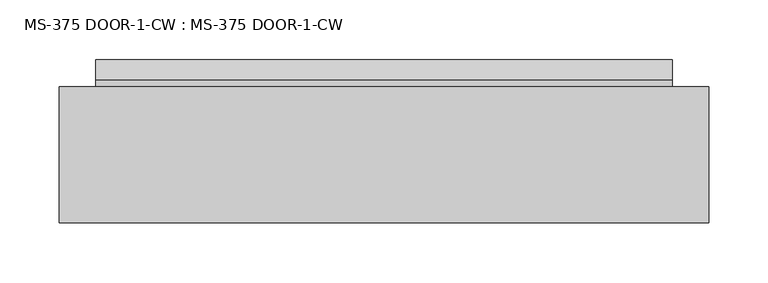
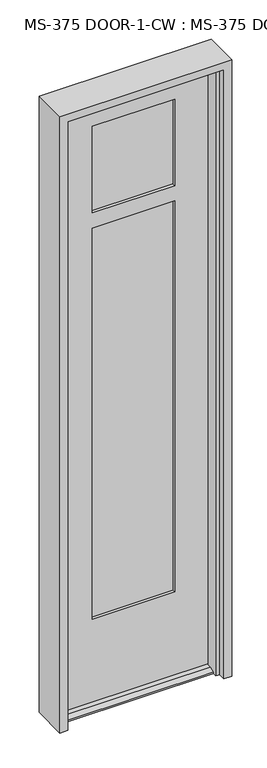
"""IFC4 building model written with IfcOpenShell, lengths in millimetres: plate geometry, MS-375 DOOR-1-CW : MS-375 DOOR-1-CW."""

from ifc_helpers import new_model, si_unit, frame, origin, place, context, project, spatial, polyline, outline, extrude, faceted_brep, source, transform, mapped, element, save


def ms_375_door_1_cw_ms_375_door_1_cw_e6405739(model_context):
    return source(origin(), model_context, "Body", "SolidModel", [
        faceted_brep([(242.62183, -45.24375, 12.7), (242.62183, -61.8934954, 12.7), (242.62183, -78.5813408, 4.9183299), (242.62183, -78.5813408, 0.0003044), (242.62183, -45.24375, 0.0003044), (242.62183, 23.01875, 0.0003044), (242.62183, 23.01875, 4.9183299), (242.62183, 6.3309046, 12.7), (242.62183, -0.79375, 12.7), (242.62183, -0.79375, 0.0003044), (-242.37847, -0.79375, 12.7), (-242.37847, 6.3309046, 12.7), (-242.37847, 23.01875, 4.9183299), (-242.37847, 23.01875, 0.0003044), (-242.37847, -0.79375, 0.0003044), (-242.37847, -78.5813408, 0.0003044), (-242.37847, -78.5813408, 4.9183299), (-242.37847, -61.8934954, 12.7), (-242.37847, -45.24375, 12.7), (-242.37847, -45.24375, 0.0003044), (245.39043, -45.24375, 2041.525), (242.62183, -0.79375, 2041.525), (-245.14707, -0.79375, 2041.525), (-242.37847, -45.24375, 2041.525), (131.09043, -0.79375, 1945.48125), (131.09043, -10.31875, 1945.48125), (-130.84707, -10.31875, 1945.48125), (-130.84707, -0.79375, 1945.48125), (138.23418, -10.31875, 1952.625), (138.23418, -35.71875, 1952.625), (-137.99082, -35.71875, 1952.625), (-137.99082, -10.31875, 1952.625), (131.09043, -35.71875, 1945.48125), (131.09043, -45.24375, 1945.48125), (-130.84707, -45.24375, 1945.48125), (-130.84707, -35.71875, 1945.48125), (138.23418, -35.71875, 1611.3125), (-137.99082, -35.71875, 1611.3125), (-137.99082, -10.31875, 1611.3125), (138.23418, -10.31875, 1611.3125), (-130.84707, -0.79375, 1604.16875), (131.09043, -0.79375, 1604.16875), (131.09043, -10.31875, 1604.16875), (-130.84707, -10.31875, 1604.16875), (131.09043, -0.79375, 1654.96875), (-130.84707, -0.79375, 1654.96875), (-130.84707, -10.31875, 1654.96875), (131.09043, -10.31875, 1654.96875), (-137.99082, -35.71875, 1647.825), (138.23418, -35.71875, 1647.825), (138.23418, -10.31875, 1647.825), (-137.99082, -10.31875, 1647.825), (131.09043, -35.71875, 1654.96875), (-130.84707, -35.71875, 1654.96875), (-130.84707, -45.24375, 1654.96875), (131.09043, -45.24375, 1654.96875), (-130.84707, -35.71875, 1604.16875), (131.09043, -35.71875, 1604.16875), (131.09043, -45.24375, 1604.16875), (-130.84707, -45.24375, 1604.16875), (138.23418, -35.71875, 283.36875), (138.23418, -10.31875, 283.36875), (-137.99082, -10.31875, 283.36875), (-137.99082, -35.71875, 283.36875), (-130.84707, -35.71875, 290.5125), (131.09043, -35.71875, 290.5125), (131.09043, -45.24375, 290.5125), (-130.84707, -45.24375, 290.5125), (245.39043, -45.24375, 0.0), (-245.14707, -0.79375, 0.0003044), (-130.84707, -0.79375, 290.5125), (131.09043, -0.79375, 290.5125), (131.09043, -10.31875, 290.5125), (-130.84707, -10.31875, 290.5125)], [[[0, 1, 2, 3, 4]], [[5, 6, 7, 8, 9]], [[10, 11, 12, 13, 14]], [[15, 16, 17, 18, 19]], [[20, 21, 22, 23]], [[24, 25, 26, 27]], [[28, 29, 30, 31]], [[32, 33, 34, 35]], [[36, 37, 38, 39]], [[40, 41, 42, 43]], [[44, 45, 46, 47]], [[48, 49, 50, 51]], [[52, 53, 54, 55]], [[56, 57, 58, 59]], [[60, 61, 62, 63]], [[30, 29, 49, 48], [32, 35, 53, 52]], [[60, 63, 37, 36], [64, 65, 57, 56]], [[66, 65, 64, 67]], [[68, 20, 23, 18, 0, 4], [34, 33, 55, 54], [67, 59, 58, 66]], [[1, 0, 18, 17]], [[2, 1, 17, 16]], [[3, 2, 16, 15]], [[3, 15, 19, 69, 14, 13, 5, 9, 68, 4]], [[6, 5, 13, 12]], [[7, 6, 12, 11]], [[8, 7, 11, 10]], [[69, 22, 21, 8, 10, 14], [27, 45, 44, 24], [70, 71, 41, 40]], [[72, 71, 70, 73]], [[28, 31, 51, 50], [26, 25, 47, 46]], [[62, 61, 39, 38], [72, 73, 43, 42]], [[18, 23, 22, 69, 19]], [[35, 34, 54, 53]], [[67, 64, 56, 59]], [[37, 63, 62, 38]], [[51, 31, 30, 48]], [[27, 26, 46, 45]], [[73, 70, 40, 43]], [[25, 24, 44, 47]], [[71, 72, 42, 41]], [[49, 29, 28, 50]], [[39, 61, 60, 36]], [[33, 32, 52, 55]], [[65, 66, 58, 57]], [[8, 21, 20, 68, 9]]]),
        extrude(outline(polyline([(138.23418, -35.71875), (-137.99082, -35.71875), (-137.99082, -29.41955), (138.23418, -29.41955), (138.23418, -35.71875)])), frame((0.0, 0.0, 1647.825), z_axis=(0.0, 0.0, 1.0), x_axis=(1.0, 0.0, 0.0)), (0.0, 0.0, 1.0), 304.8),
        extrude(outline(polyline([(-137.99082, -10.31875), (138.23418, -10.31875), (138.23418, -16.61795), (-137.99082, -16.61795), (-137.99082, -10.31875)])), frame((0.0, 0.0, 1647.825), z_axis=(0.0, 0.0, 1.0), x_axis=(1.0, 0.0, 0.0)), (0.0, 0.0, 1.0), 304.8),
        extrude(outline(polyline([(-137.99082, -16.61795), (-137.99082, -10.31875), (138.23418, -10.31875), (138.23418, -16.61795), (-137.99082, -16.61795)])), frame((0.0, 0.0, 283.36875), z_axis=(0.0, 0.0, 1.0), x_axis=(1.0, 0.0, 0.0)), (0.0, 0.0, 1.0), 1327.94375),
        extrude(outline(polyline([(-137.99082, -35.71875), (-137.99082, -29.41955), (138.23418, -29.41955), (138.23418, -35.71875), (-137.99082, -35.71875)])), frame((0.0, 0.0, 283.36875), z_axis=(0.0, 0.0, 1.0), x_axis=(1.0, 0.0, 0.0)), (0.0, 0.0, 1.0), 1327.94375),
        faceted_brep([(234.95, -50.038, 0.0), (247.65, -50.038, 0.0), (247.65, 0.0, 0.0), (273.05, 0.0, 0.0), (273.05, -114.3, 0.0), (247.65, -114.3, 0.0), (247.65, -91.313, 0.0), (234.95, -91.313, 0.0), (273.05, -114.3, 2070.1), (273.05, 0.0, 2070.1), (-273.05, 0.0, 2070.1), (-273.05, -114.3, 2070.1), (234.95, -50.038, 2032.0), (-234.95, -50.038, 2032.0), (-234.95, -50.038, 0.0), (-247.65, -50.038, 0.0), (-247.65, -50.038, 2044.7), (247.65, -50.038, 2044.7), (247.65, 0.0, 2044.7), (-247.65, 0.0, 2044.7), (-247.65, 0.0, 0.0), (-273.05, 0.0, 0.0), (-273.05, -114.3, 0.0), (-247.65, -114.3, 0.0), (-247.65, -114.3, 2044.7), (247.65, -114.3, 2044.7), (247.65, -91.313, 2044.7), (-247.65, -91.313, 2044.7), (-247.65, -91.313, 0.0), (-234.95, -91.313, 0.0), (-234.95, -91.313, 2032.0), (234.95, -91.313, 2032.0)], [[[0, 1, 2, 3, 4, 5, 6, 7]], [[8, 9, 10, 11]], [[1, 0, 12, 13, 14, 15, 16, 17]], [[2, 1, 17, 18]], [[3, 2, 18, 19, 20, 21, 10, 9]], [[8, 4, 3, 9]], [[5, 4, 8, 11, 22, 23, 24, 25]], [[26, 6, 5, 25]], [[7, 6, 26, 27, 28, 29, 30, 31]], [[0, 7, 31, 12]], [[14, 29, 28, 23, 22, 21, 20, 15]], [[29, 14, 13, 30]], [[23, 28, 27, 24]], [[10, 21, 22, 11]], [[16, 15, 20, 19]], [[27, 26, 25, 24]], [[17, 16, 19, 18]], [[13, 12, 31, 30]]]),
    ])


if __name__ == "__main__":
    model = new_model("IFC4")
    model_context = context("Model", 3, world=origin())
    ifc_project = project(units=[si_unit("LENGTHUNIT", "METRE", prefix="MILLI")], contexts=[model_context])
    site = spatial("IfcSite", under=ifc_project)
    building = spatial("IfcBuilding", under=site)
    placement = place(None, origin())
    ms_375_door_1_cw_ms_375_door_1_cw_shape = ms_375_door_1_cw_ms_375_door_1_cw_e6405739(model_context)
    element("IfcPlate", 1, ObjectType="MS-375 DOOR-1-CW : MS-375 DOOR-1-CW", at=placement, inside=building, context=model_context, shape_type="MappedRepresentation", body=[
        mapped(ms_375_door_1_cw_ms_375_door_1_cw_shape, transform((0.0, 0.0, 0.0), x_axis=(1.0, 0.0, 0.0), y_axis=(0.0, 1.0, 0.0), z_axis=(0.0, 0.0, 1.0))),
    ])
    save(model, "model.ifc")
